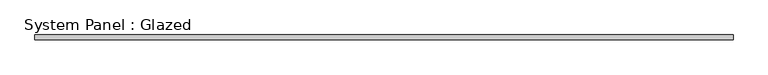
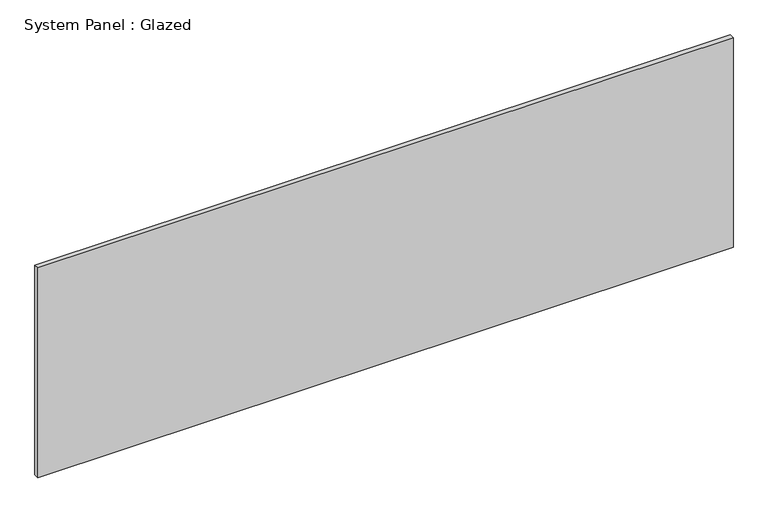
"""IFC4 building model written with IfcOpenShell, lengths in millimetres: plate geometry, System Panel : Glazed."""

from ifc_helpers import new_model, si_unit, origin, origin_with_axes, place, context, project, spatial, polyline, outline, extrude, source, transform, mapped, element, save


def system_panel_glazed_b5d9ee1d(model_context):
    return source(origin(), model_context, "Body", "SweptSolid", [
        extrude(outline(polyline([(1812.925, 19.05), (-1812.925, 19.05), (-1812.925, 44.45), (1812.925, 44.45), (1812.925, 19.05)])), origin_with_axes(), (0.0, 0.0, 1.0), 1155.7),
    ])


if __name__ == "__main__":
    model = new_model("IFC4")
    model_context = context("Model", 3, world=origin())
    ifc_project = project(units=[si_unit("LENGTHUNIT", "METRE", prefix="MILLI")], contexts=[model_context])
    site = spatial("IfcSite", under=ifc_project)
    building = spatial("IfcBuilding", under=site)
    placement = place(None, origin())
    system_panel_glazed_shape = system_panel_glazed_b5d9ee1d(model_context)
    element("IfcPlate", 1, ObjectType="System Panel : Glazed", at=placement, inside=building, context=model_context, shape_type="MappedRepresentation", body=[
        mapped(system_panel_glazed_shape, transform((0.0, 0.0, 0.0), x_axis=(1.0, 0.0, 0.0), y_axis=(0.0, 1.0, 0.0), z_axis=(0.0, 0.0, 1.0))),
    ])
    save(model, "model.ifc")
